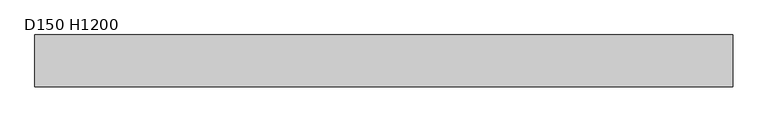
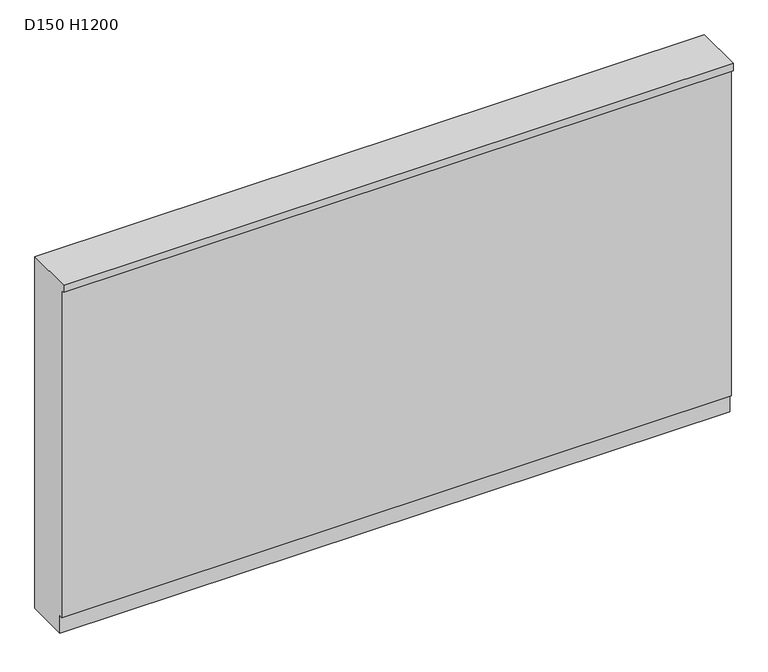
"""IFC4 building model written with IfcOpenShell, lengths in millimetres: proxy geometry, D150 H1200."""

from ifc_helpers import new_model, si_unit, frame, origin, place, context, project, spatial, polyline, outline, extrude, source, transform, mapped, element, save


def d150_h1200_d4f8d7fc(model_context):
    return source(origin(), model_context, "Body", "SweptSolid", [
        extrude(outline(polyline([(-160.0, 1175.0), (-160.0, 1200.0), (0.0, 1200.0), (0.0, 0.0), (-140.0, 0.0), (-140.0, 60.0), (-150.0, 60.0), (-150.0, 1175.0), (-160.0, 1175.0)])), frame((0.0, 0.0, 0.0), z_axis=(1.0, 0.0, 0.0), x_axis=(0.0, 1.0, 0.0)), (0.0, 0.0, 1.0), 2160.0),
    ])


if __name__ == "__main__":
    model = new_model("IFC4")
    model_context = context("Model", 3, world=origin())
    ifc_project = project(units=[si_unit("LENGTHUNIT", "METRE", prefix="MILLI")], contexts=[model_context])
    site = spatial("IfcSite", under=ifc_project)
    building = spatial("IfcBuilding", under=site)
    placement = place(None, origin())
    d150_h1200_shape = d150_h1200_d4f8d7fc(model_context)
    element("IfcBuildingElementProxy", 1, Name="D150 H1200", ObjectType="D150 H1200", at=placement, inside=building, context=model_context, shape_type="MappedRepresentation", body=[
        mapped(d150_h1200_shape, transform((0.0, 0.0, 0.0), x_axis=(1.0, 0.0, 0.0), y_axis=(0.0, 1.0, 0.0), z_axis=(0.0, 0.0, 1.0))),
    ])
    save(model, "model.ifc")
